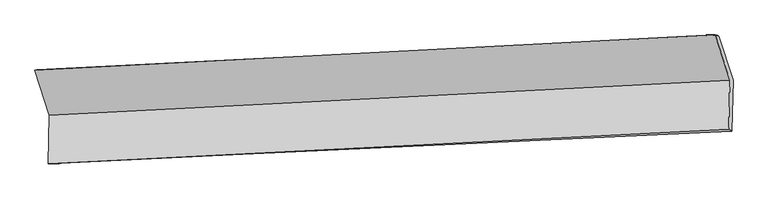
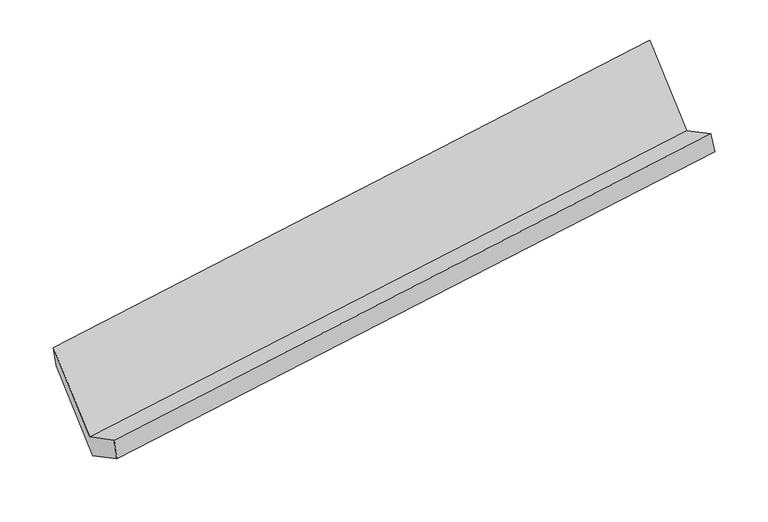
"""IFC4 building model written with IfcOpenShell, lengths in millimetres: proxy geometry."""

from ifc_helpers import new_model, si_unit, frame, origin, place, context, project, spatial, source, transform, mapped, element, save
from ifc_brep_helpers import plane_surface, spline_surface, advanced_brep


def generic_models_1528abe6(model_context):
    return source(origin(), model_context, "Body", "AdvancedBrep", [
        advanced_brep(
        [(-5238.7936181, -1618.9235218, 1400.8990929), (-5247.2830553, -1963.8466432, 1586.5992939), (-441.0655785, -1717.3983989, 2285.1771663), (-432.5761414, -1372.4752775, 2099.4769653), (-5223.092378, -1957.8015854, 1418.9105442), (-419.0499613, -1733.0480828, 2140.3927241), (-5214.6765095, -1615.8675343, 1234.8196032), (-410.2007672, -1373.5081546, 1946.8231059), (-5317.4008949, -1298.3412555, 1819.9028849), (-511.400081, -1060.6959497, 2523.2200959), (-5340.692291, -1303.9495625, 1981.2793955), (-535.999886, -1052.7872442, 2688.5435596)],
        [
            (0, 1),
            (1, 2),
            (2, 3),
            (3, 0),
            (1, 4),
            (4, 5),
            (5, 2),
            (4, 6),
            (6, 7),
            (7, 5),
            (6, 8),
            (8, 9),
            (9, 7),
            (8, 10),
            (10, 11),
            (11, 9),
            (10, 0),
            (3, 11),
        ],
        [
            plane_surface(frame((-5243.0383367, -1791.3850825, 1493.7491934), z_axis=(-0.15047503255164357, 0.4715163299169572, 0.8689244013147664), x_axis=(-0.02166627539913226, -0.8802938546151501, 0.47393385829367596))),
            spline_surface(1, 1, [[(-5247.2830553, -1963.8466432, 1586.5992939), (-441.0655785, -1717.3983989, 2285.1771663)], [(-5223.092378, -1957.8015854, 1418.9105442), (-419.0499613, -1733.0480828, 2140.3927241)]], [2, 2], [2, 2], [0.0, 1.0], [0.0, 1.0]),
            plane_surface(frame((-5218.8844438, -1786.8345599, 1326.8650737), z_axis=(0.1525071729938998, -0.4714073969456482, -0.8686291661522408), x_axis=(0.021666275399132243, 0.8802938546151502, -0.47393385829367585))),
            plane_surface(frame((-5266.0387022, -1457.1043949, 1527.361244), z_axis=(0.025729702377524206, 0.880506267774004, -0.4733357104912519), x_axis=(-0.15250717299389227, 0.4714073969456434, 0.8686291661522446))),
            spline_surface(1, 1, [[(-5317.4008949, -1298.3412555, 1819.9028849), (-511.400081, -1060.6959497, 2523.2200959)], [(-5340.692291, -1303.9495625, 1981.2793955), (-535.999886, -1052.7872442, 2688.5435596)]], [2, 2], [2, 2], [0.0, 1.0], [0.0, 1.0]),
            plane_surface(frame((-5289.7429546, -1461.4365421, 1691.0892442), z_axis=(-0.023698047584292656, -0.8804019230727164, 0.4736357845333855), x_axis=(0.15250717299389294, -0.4714073969456488, -0.8686291661522415))),
            plane_surface(frame((-458.3820692, -1384.9855179, 2280.6056029), z_axis=(0.9880648433659301, 0.053458354180881684, 0.1444647696586671), x_axis=(-0.14701314636017523, 0.04726393896341797, 0.9880046836280404))),
            plane_surface(frame((-5263.6564578, -1626.4550171, 1573.7351358), z_axis=(-0.98806484336593, -0.05345835418088318, -0.14446476965866695), x_axis=(-0.15250717299389352, 0.47140739694564826, 0.8686291661522417))),
        ],
        [
            (0, [[1, 2, 3, 4]]),
            (1, [[5, 6, 7, -2]]),
            (2, [[8, 9, 10, -6]]),
            (3, [[11, 12, 13, -9]]),
            (4, [[14, 15, 16, -12]]),
            (5, [[17, -4, 18, -15]]),
            (6, [[-16, -18, -3, -7, -10, -13]]),
            (7, [[-17, -14, -11, -8, -5, -1]]),
        ],
    ),
    ])


if __name__ == "__main__":
    model = new_model("IFC4")
    model_context = context("Model", 3, world=origin())
    ifc_project = project(units=[si_unit("LENGTHUNIT", "METRE", prefix="MILLI")], contexts=[model_context])
    site = spatial("IfcSite", under=ifc_project)
    building = spatial("IfcBuilding", under=site)
    placement = place(None, origin())
    generic_models_shape = generic_models_1528abe6(model_context)
    element("IfcBuildingElementProxy", 1, Name="Generic Models", at=placement, inside=building, context=model_context, shape_type="MappedRepresentation", body=[
        mapped(generic_models_shape, transform((0.0, 0.0, 0.0), x_axis=(1.0, 0.0, 0.0), y_axis=(0.0, 1.0, 0.0), z_axis=(0.0, 0.0, 1.0))),
    ])
    save(model, "model.ifc")
